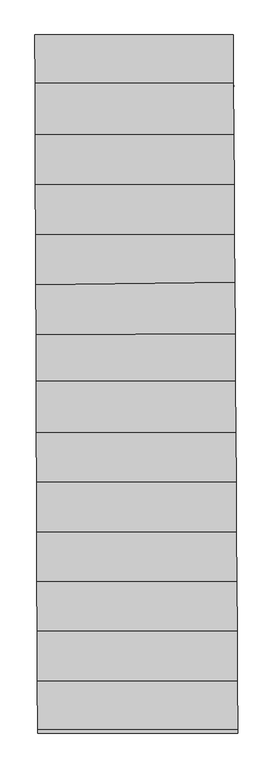
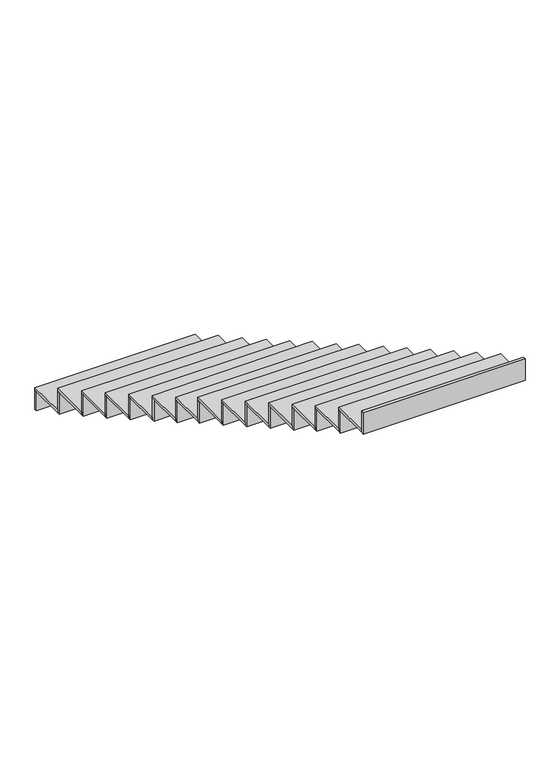
"""IFC4 building model written with IfcOpenShell, lengths in millimetres: stair flight geometry."""

from ifc_helpers import new_model, si_unit, frame, origin, place, context, project, spatial, polyline, outline, extrude, source, transform, mapped, element, save


def stair_flight_cfcaa902(model_context):
    return source(origin(), model_context, "Body", "SweptSolid", [
        extrude(outline(polyline([(-113805.5490631, 73342.1599461), (-113805.6243468, 73362.1599461), (-112613.6556253, 73362.1599461), (-112613.5274875, 73342.1599461), (-113805.5490631, 73342.1599461)])), frame((0.0, 0.0, -2516.5), z_axis=(0.0, 0.0, 1.0), x_axis=(1.0, 0.0, 0.0)), (0.0, 0.0, 1.0), 148.8530746),
        extrude(outline(polyline([(-112611.7976274, 73072.1599461), (-113804.5327326, 73072.1599461), (-113805.6243468, 73362.1599461), (-112613.6556253, 73362.1599461), (-112611.7976274, 73072.1599461)])), frame((0.0, 0.0, -2367.6469254), z_axis=(0.0, 0.0, 1.0), x_axis=(1.0, 0.0, 0.0)), (0.0, 0.0, 1.0), 20.0),
        extrude(outline(polyline([(-113804.4574489, 73052.1599461), (-113804.5327326, 73072.1599461), (-112611.7976274, 73072.1599461), (-112611.6694896, 73052.1599461), (-113804.4574489, 73052.1599461)])), frame((0.0, 0.0, -2367.6469254), z_axis=(0.0, 0.0, 1.0), x_axis=(1.0, 0.0, 0.0)), (0.0, 0.0, 1.0), 168.8530746),
        extrude(outline(polyline([(-112609.8150099, 72762.7090776), (-113803.3679017, 72762.7090776), (-113804.5327326, 73072.1599461), (-112611.7976274, 73072.1599461), (-112609.8150099, 72762.7090776)])), frame((0.0, 0.0, -2198.7938508), z_axis=(0.0, 0.0, 1.0), x_axis=(1.0, 0.0, 0.0)), (0.0, 0.0, 1.0), 20.0),
        extrude(outline(polyline([(-113803.292618, 72742.7090776), (-113803.3679017, 72762.7090776), (-112609.8150099, 72762.7090776), (-112609.6868721, 72742.7090776), (-113803.292618, 72742.7090776)])), frame((0.0, 0.0, -2198.7938508), z_axis=(0.0, 0.0, 1.0), x_axis=(1.0, 0.0, 0.0)), (0.0, 0.0, 1.0), 168.8530746),
        extrude(outline(polyline([(-112607.8803482, 72460.7432337), (-113802.2312459, 72460.7432337), (-113803.3679017, 72762.7090776), (-112609.8150099, 72762.7090776), (-112607.8803482, 72460.7432337)])), frame((0.0, 0.0, -2029.9407762), z_axis=(0.0, 0.0, 1.0), x_axis=(1.0, 0.0, 0.0)), (0.0, 0.0, 1.0), 20.0),
        extrude(outline(polyline([(-113802.1559621, 72440.7432337), (-113802.2312459, 72460.7432337), (-112607.8803482, 72460.7432337), (-112607.7522104, 72440.7432337), (-113802.1559621, 72440.7432337)])), frame((0.0, 0.0, -2029.9407762), z_axis=(0.0, 0.0, 1.0), x_axis=(1.0, 0.0, 0.0)), (0.0, 0.0, 1.0), 168.8530746),
        extrude(outline(polyline([(-112605.9582814, 72160.7432337), (-113801.1019898, 72160.7432337), (-113802.2312459, 72460.7432337), (-112607.8803482, 72460.7432337), (-112605.9582814, 72160.7432337)])), frame((0.0, 0.0, -1861.0877016), z_axis=(0.0, 0.0, 1.0), x_axis=(1.0, 0.0, 0.0)), (0.0, 0.0, 1.0), 20.0),
        extrude(outline(polyline([(-113801.026706, 72140.7432337), (-113801.1019898, 72160.7432337), (-112605.9582814, 72160.7432337), (-112605.8301436, 72140.7432337), (-113801.026706, 72140.7432337)])), frame((0.0, 0.0, -1861.0877016), z_axis=(0.0, 0.0, 1.0), x_axis=(1.0, 0.0, 0.0)), (0.0, 0.0, 1.0), 168.8530746),
        extrude(outline(polyline([(-112604.1371957, 71876.5045667), (-113799.9667638, 71859.1572588), (-113801.1019898, 72160.7432337), (-112605.9582814, 72160.7432337), (-112604.1371957, 71876.5045667)])), frame((0.0, 0.0, -1692.234627), z_axis=(0.0, 0.0, 1.0), x_axis=(1.0, 0.0, 0.0)), (0.0, 0.0, 1.0), 20.0),
        extrude(outline(polyline([(-113799.8914763, 71839.1562467), (-113799.9667638, 71859.1572588), (-112604.1371957, 71876.5045667), (-112604.0090564, 71856.5043212), (-113799.8914763, 71839.1562467)])), frame((0.0, 0.0, -1692.234627), z_axis=(0.0, 0.0, 1.0), x_axis=(1.0, 0.0, 0.0)), (0.0, 0.0, 1.0), 168.8530746),
        extrude(outline(polyline([(-112602.143825, 71565.3753081), (-113798.8428994, 71560.5896157), (-113799.9667638, 71859.1572588), (-112604.1371957, 71876.5045667), (-112602.143825, 71565.3753081)])), frame((0.0, 0.0, -1523.3815524), z_axis=(0.0, 0.0, 1.0), x_axis=(1.0, 0.0, 0.0)), (0.0, 0.0, 1.0), 20.0),
        extrude(outline(polyline([(-113798.7676162, 71540.5897568), (-113798.8428994, 71560.5896157), (-112602.143825, 71565.3753081), (-112602.0156895, 71545.3756606), (-113798.7676162, 71540.5897568)])), frame((0.0, 0.0, -1523.3815524), z_axis=(0.0, 0.0, 1.0), x_axis=(1.0, 0.0, 0.0)), (0.0, 0.0, 1.0), 168.8530746),
        extrude(outline(polyline([(-112600.3229533, 71281.1700289), (-113797.7911119, 71281.1700289), (-113798.8428994, 71560.5896157), (-112602.143825, 71565.3753081), (-112600.3229533, 71281.1700289)])), frame((0.0, 0.0, -1354.5284778), z_axis=(0.0, 0.0, 1.0), x_axis=(1.0, 0.0, 0.0)), (0.0, 0.0, 1.0), 20.0),
        extrude(outline(polyline([(-113797.7158281, 71261.1700289), (-113797.7911119, 71281.1700289), (-112600.3229533, 71281.1700289), (-112600.1948155, 71261.1700289), (-113797.7158281, 71261.1700289)])), frame((0.0, 0.0, -1354.5284778), z_axis=(0.0, 0.0, 1.0), x_axis=(1.0, 0.0, 0.0)), (0.0, 0.0, 1.0), 168.8530746),
        extrude(outline(polyline([(-112598.3390479, 70971.5181383), (-113796.6255243, 70971.5181383), (-113797.7911119, 71281.1700289), (-112600.3229533, 71281.1700289), (-112598.3390479, 70971.5181383)])), frame((0.0, 0.0, -1185.6754032), z_axis=(0.0, 0.0, 1.0), x_axis=(1.0, 0.0, 0.0)), (0.0, 0.0, 1.0), 20.0),
        extrude(outline(polyline([(-113796.5502405, 70951.5181383), (-113796.6255243, 70971.5181383), (-112598.3390479, 70971.5181383), (-112598.2109101, 70951.5181383), (-113796.5502405, 70951.5181383)])), frame((0.0, 0.0, -1185.6754032), z_axis=(0.0, 0.0, 1.0), x_axis=(1.0, 0.0, 0.0)), (0.0, 0.0, 1.0), 168.8530746),
        extrude(outline(polyline([(-112596.4292451, 70673.4323244), (-113795.5034736, 70673.4323244), (-113796.6255243, 70971.5181383), (-112598.3390479, 70971.5181383), (-112596.4292451, 70673.4323244)])), frame((0.0, 0.0, -1016.8223286), z_axis=(0.0, 0.0, 1.0), x_axis=(1.0, 0.0, 0.0)), (0.0, 0.0, 1.0), 20.0),
        extrude(outline(polyline([(-113795.4281898, 70653.4323244), (-113795.5034736, 70673.4323244), (-112596.4292451, 70673.4323244), (-112596.3011073, 70653.4323244), (-113795.4281898, 70653.4323244)])), frame((0.0, 0.0, -1016.8223286), z_axis=(0.0, 0.0, 1.0), x_axis=(1.0, 0.0, 0.0)), (0.0, 0.0, 1.0), 168.8530746),
        extrude(outline(polyline([(-112594.5071783, 70373.4323244), (-113794.3742175, 70373.4323244), (-113795.5034736, 70673.4323244), (-112596.4292451, 70673.4323244), (-112594.5071783, 70373.4323244)])), frame((0.0, 0.0, -847.9692541), z_axis=(0.0, 0.0, 1.0), x_axis=(1.0, 0.0, 0.0)), (0.0, 0.0, 1.0), 20.0),
        extrude(outline(polyline([(-113794.2989338, 70353.4323244), (-113794.3742175, 70373.4323244), (-112594.5071783, 70373.4323244), (-112594.3790405, 70353.4323244), (-113794.2989338, 70353.4323244)])), frame((0.0, 0.0, -847.9692541), z_axis=(0.0, 0.0, 1.0), x_axis=(1.0, 0.0, 0.0)), (0.0, 0.0, 1.0), 168.8530746),
        extrude(outline(polyline([(-112592.5851115, 70073.4323244), (-113793.2449614, 70073.4323244), (-113794.3742175, 70373.4323244), (-112594.5071783, 70373.4323244), (-112592.5851115, 70073.4323244)])), frame((0.0, 0.0, -679.1161795), z_axis=(0.0, 0.0, 1.0), x_axis=(1.0, 0.0, 0.0)), (0.0, 0.0, 1.0), 20.0),
        extrude(outline(polyline([(-113793.1696777, 70053.4323244), (-113793.2449614, 70073.4323244), (-112592.5851115, 70073.4323244), (-112592.4569737, 70053.4323244), (-113793.1696777, 70053.4323244)])), frame((0.0, 0.0, -679.1161795), z_axis=(0.0, 0.0, 1.0), x_axis=(1.0, 0.0, 0.0)), (0.0, 0.0, 1.0), 168.8530746),
        extrude(outline(polyline([(-112590.68721, 69777.2040899), (-113792.129903, 69777.2040899), (-113793.2449614, 70073.4323244), (-112592.5851115, 70073.4323244), (-112590.68721, 69777.2040899)])), frame((0.0, 0.0, -510.2631049), z_axis=(0.0, 0.0, 1.0), x_axis=(1.0, 0.0, 0.0)), (0.0, 0.0, 1.0), 20.0),
        extrude(outline(polyline([(-113792.0546193, 69757.2040899), (-113792.129903, 69777.2040899), (-112590.68721, 69777.2040899), (-112590.5590722, 69757.2040899), (-113792.0546193, 69757.2040899)])), frame((0.0, 0.0, -510.2631049), z_axis=(0.0, 0.0, 1.0), x_axis=(1.0, 0.0, 0.0)), (0.0, 0.0, 1.0), 168.8530746),
        extrude(outline(polyline([(-112588.7651432, 69477.2040899), (-113791.000647, 69477.2040899), (-113792.129903, 69777.2040899), (-112590.68721, 69777.2040899), (-112588.7651432, 69477.2040899)])), frame((0.0, 0.0, -341.4100303), z_axis=(0.0, 0.0, 1.0), x_axis=(1.0, 0.0, 0.0)), (0.0, 0.0, 1.0), 20.0),
        extrude(outline(polyline([(-113790.9253632, 69457.2040899), (-113791.000647, 69477.2040899), (-112588.7651432, 69477.2040899), (-112588.6370055, 69457.2040899), (-113790.9253632, 69457.2040899)])), frame((0.0, 0.0, -341.4100303), z_axis=(0.0, 0.0, 1.0), x_axis=(1.0, 0.0, 0.0)), (0.0, 0.0, 1.0), 168.8530746),
        extrude(outline(polyline([(-113789.8265674, 69165.2961973), (-113789.9018511, 69185.2961973), (-112586.8949217, 69185.2961973), (-112586.7667839, 69165.2961973), (-113789.8265674, 69165.2961973)])), frame((0.0, 0.0, -172.5569557), z_axis=(0.0, 0.0, 1.0), x_axis=(1.0, 0.0, 0.0)), (0.0, 0.0, 1.0), 168.8530746),
        extrude(outline(polyline([(-112586.8949217, 69185.2961973), (-113789.9018511, 69185.2961973), (-113791.000647, 69477.2040899), (-112588.7651432, 69477.2040899), (-112586.8949217, 69185.2961973)])), frame((0.0, 0.0, -172.5569557), z_axis=(0.0, 0.0, 1.0), x_axis=(1.0, 0.0, 0.0)), (0.0, 0.0, 1.0), 20.0),
    ])


if __name__ == "__main__":
    model = new_model("IFC4")
    model_context = context("Model", 3, world=origin())
    ifc_project = project(units=[si_unit("LENGTHUNIT", "METRE", prefix="MILLI")], contexts=[model_context])
    site = spatial("IfcSite", under=ifc_project)
    building = spatial("IfcBuilding", under=site)
    placement = place(None, origin())
    stair_flight_shape = stair_flight_cfcaa902(model_context)
    element("IfcStairFlight", 1, at=placement, inside=building, context=model_context, shape_type="MappedRepresentation", body=[
        mapped(stair_flight_shape, transform((0.0, 0.0, 0.0), x_axis=(1.0, 0.0, 0.0), y_axis=(0.0, 1.0, 0.0), z_axis=(0.0, 0.0, 1.0))),
    ])
    save(model, "model.ifc")
